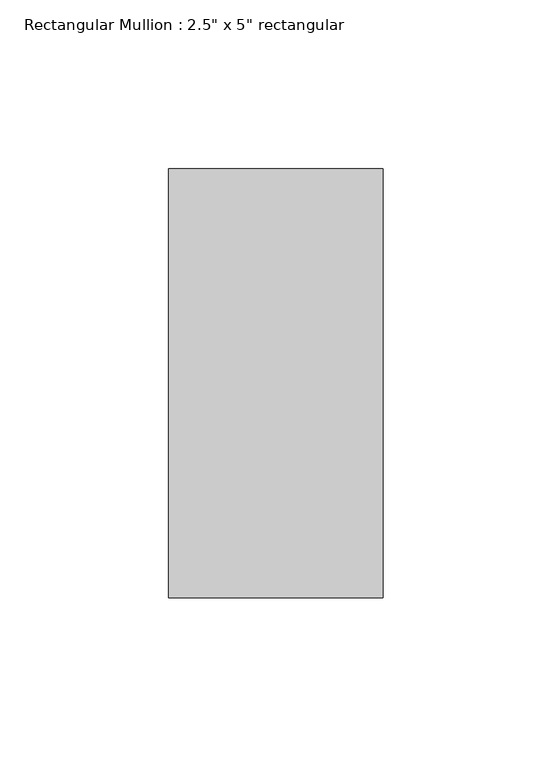
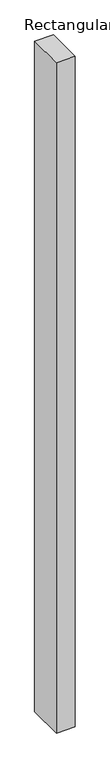
"""IFC4 building model written with IfcOpenShell, lengths in millimetres: member geometry."""

import ifcopenshell
import ifcopenshell.guid

model = None  # the IFC model being written
_history = None  # IfcOwnerHistory: only IFC2X3 demands one
_inside = {}  # id of a spatial element -> (the spatial element, [elements in it])
_under = {}  # id of a project, library or spatial element -> (it, [spatial elements below it])
_declared = {}  # id of a project -> (the project, [libraries it declares])
_typed = {}  # id of a type object -> (the type object, [elements of that type])
_made_of = {}  # id of a material, layer set ... -> (it, [elements and type objects made of it])


def new_model(schema):
    """Start an empty IFC model of exactly this schema.

    Asked for "IFC4X3", IfcOpenShell would pick the latest addendum, in which some entities
    have other attributes; the version numbers below select the first issue.
    IFC2X3 requires an IfcOwnerHistory on every rooted entity: one is made here for all.
    """
    global model, _history
    if schema == "IFC4X3":
        model = ifcopenshell.file(schema_version=(4, 3, 0, 0))
    else:
        model = ifcopenshell.file(schema=schema)
    _inside.clear()
    _under.clear()
    _declared.clear()
    _typed.clear()
    _made_of.clear()
    _history = None
    if model.schema == "IFC2X3":
        org = make("IfcOrganization", Name="unknown")
        user = make(
            "IfcPersonAndOrganization",
            ThePerson=make("IfcPerson", FamilyName="unknown"),
            TheOrganization=org,
        )
        app = make(
            "IfcApplication",
            ApplicationDeveloper=org,
            Version="unknown",
            ApplicationFullName="unknown",
            ApplicationIdentifier="unknown",
        )
        _history = make(
            "IfcOwnerHistory",
            OwningUser=user,
            OwningApplication=app,
            ChangeAction="ADDED",
            CreationDate=0,
        )
    return model


def make(cls, **values):
    """One entity of the class cls with the attributes given. An attribute that is None is left unset."""
    return model.create_entity(
        cls, **{name: value for name, value in values.items() if value is not None}
    )


def rooted(cls, **values):
    """An entity with a GlobalId (a new one), such as an element, a storey or a relation."""
    return make(cls, GlobalId=ifcopenshell.guid.new(), OwnerHistory=_history, **values)


def si_unit(unit_type, name, prefix=None):
    """IfcSIUnit, for example si_unit("LENGTHUNIT", "METRE", prefix="MILLI")."""
    return make("IfcSIUnit", UnitType=unit_type, Prefix=prefix, Name=name)


def assignment(units):
    """IfcUnitAssignment: the units of a project."""
    return None if units is None else make("IfcUnitAssignment", Units=units)


def point(xyz):
    """IfcCartesianPoint."""
    return None if xyz is None else make("IfcCartesianPoint", Coordinates=xyz)


def direction(xyz):
    """IfcDirection."""
    return None if xyz is None else make("IfcDirection", DirectionRatios=xyz)


def frame(location, z_axis=None, x_axis=None):
    """IfcAxis2Placement3D, a coordinate frame: its origin and axes. An axis left out is left unset."""
    return make(
        "IfcAxis2Placement3D",
        Location=point(location),
        Axis=direction(z_axis),
        RefDirection=direction(x_axis),
    )


def origin():
    """The frame at (0, 0, 0) with its axes left unset."""
    return frame((0.0, 0.0, 0.0))


def place(relative_to, where):
    """IfcLocalPlacement: puts the frame where relative to a parent placement (None: the world)."""
    return make(
        "IfcLocalPlacement", PlacementRelTo=relative_to, RelativePlacement=where
    )


def context(
    kind, dimensions, precision=None, world=None, true_north=None, identifier=None
):
    """IfcGeometricRepresentationContext, for example the 3D "Model" context."""
    return make(
        "IfcGeometricRepresentationContext",
        ContextIdentifier=identifier,
        ContextType=kind,
        CoordinateSpaceDimension=dimensions,
        Precision=precision,
        WorldCoordinateSystem=world,
        TrueNorth=true_north,
    )


def project(units=None, contexts=None):
    """IfcProject with its units and contexts."""
    return rooted(
        "IfcProject",
        Name="project",
        RepresentationContexts=contexts,
        UnitsInContext=assignment(units),
    )


def spatial(cls, under=None, at=None, **own):
    """A site, building, storey or space (cls), placed at a placement, below another one or the project."""
    s = rooted(cls, ObjectPlacement=at, **own)
    if under is not None:
        _under.setdefault(under.id(), (under, []))[1].append(s)
    return s


def polyline(points):
    """IfcPolyline through the points."""
    return make("IfcPolyline", Points=[point(p) for p in points])


def outline(outer, holes=None, kind="AREA"):
    """IfcArbitraryClosedProfileDef: a profile drawn as a closed curve; with holes, ...WithVoids."""
    if holes is None:
        return make("IfcArbitraryClosedProfileDef", ProfileType=kind, OuterCurve=outer)
    return make(
        "IfcArbitraryProfileDefWithVoids",
        ProfileType=kind,
        OuterCurve=outer,
        InnerCurves=holes,
    )


def extrude(swept, where, along, depth):
    """IfcExtrudedAreaSolid: the profile swept, set in the frame where, extruded along a direction by depth."""
    return make(
        "IfcExtrudedAreaSolid",
        SweptArea=swept,
        Position=where,
        ExtrudedDirection=direction(along),
        Depth=depth,
    )


def shape(context_of_items, identifier, shape_type, items):
    """IfcShapeRepresentation: the items that make up one representation, for example the "Body"."""
    return make(
        "IfcShapeRepresentation",
        ContextOfItems=context_of_items,
        RepresentationIdentifier=identifier,
        RepresentationType=shape_type,
        Items=items,
    )


def source(mapping_origin, context_of_items, identifier, shape_type, items):
    """IfcRepresentationMap: a shape defined once, which mapped items show again and again."""
    return make(
        "IfcRepresentationMap",
        MappingOrigin=mapping_origin,
        MappedRepresentation=shape(context_of_items, identifier, shape_type, items),
    )


def transform(
    local_origin,
    x_axis=None,
    y_axis=None,
    z_axis=None,
    scale=None,
    scale2=None,
    scale3=None,
    uniform=True,
):
    """IfcCartesianTransformationOperator3D, or its non-uniform kind. x_axis, y_axis, z_axis: its Axis1, 2, 3."""
    if uniform:
        return make(
            "IfcCartesianTransformationOperator3D",
            Axis1=direction(x_axis),
            Axis2=direction(y_axis),
            LocalOrigin=point(local_origin),
            Scale=scale,
            Axis3=direction(z_axis),
        )
    return make(
        "IfcCartesianTransformationOperator3DnonUniform",
        Axis1=direction(x_axis),
        Axis2=direction(y_axis),
        LocalOrigin=point(local_origin),
        Scale=scale,
        Axis3=direction(z_axis),
        Scale2=scale2,
        Scale3=scale3,
    )


def mapped(mapping_source, mapping_target):
    """IfcMappedItem: shows the shape of a source again, moved by a transform."""
    return make(
        "IfcMappedItem", MappingSource=mapping_source, MappingTarget=mapping_target
    )


def made_of(thing, what):
    """Note that an element or type object is made of a material, layer set ...; save() writes the relation."""
    if what is not None:
        _made_of.setdefault(what.id(), (what, []))[1].append(thing)
    return thing


def element(
    cls,
    number,
    at=None,
    inside=None,
    cuts=None,
    type_object=None,
    material=None,
    context=None,
    identifier="Body",
    shape_type=None,
    held_by="IfcProductDefinitionShape",
    body=None,
    shapes=None,
    **own,
):
    """One element of the class cls, such as IfcWall. Its Tag is "e" and its number.

    at: its placement. inside: the storey or other place that contains it. cuts: it is an
    opening in that element (IfcRelVoidsElement). A single representation is given by context,
    identifier, shape_type and body (its items); several are given by shapes. held_by: the class
    of the entity that holds the representations. save() writes the other relations.
    """
    e = rooted(cls, Tag="e%d" % number, ObjectPlacement=at, **own)
    if body is not None:
        shapes = [shape(context, identifier, shape_type, body)]
    if shapes is not None:
        e.Representation = make(held_by, Representations=shapes)
    if inside is not None:
        _inside.setdefault(inside.id(), (inside, []))[1].append(e)
    if cuts is not None:
        rooted(
            "IfcRelVoidsElement", RelatingBuildingElement=cuts, RelatedOpeningElement=e
        )
    if type_object is not None:
        _typed.setdefault(type_object.id(), (type_object, []))[1].append(e)
    return made_of(e, material)


def aggregate(whole, parts):
    """IfcRelAggregates: a whole, such as a stair, and the parts it consists of."""
    return rooted("IfcRelAggregates", RelatingObject=whole, RelatedObjects=parts)


def save(model, path):
    """Write the relations noted so far, then the file.

    IfcRelAggregates (storeys below a building ...), IfcRelContainedInSpatialStructure (elements
    in a storey), IfcRelDefinesByType, IfcRelAssociatesMaterial and IfcRelDeclares: one each for
    every whole, place, type object, material and project.
    """
    for whole, parts in _under.values():
        aggregate(whole, parts)
    for where, things in _inside.values():
        rooted(
            "IfcRelContainedInSpatialStructure",
            RelatedElements=things,
            RelatingStructure=where,
        )
    for kind, things in _typed.values():
        rooted("IfcRelDefinesByType", RelatedObjects=things, RelatingType=kind)
    for what, things in _made_of.values():
        rooted("IfcRelAssociatesMaterial", RelatedObjects=things, RelatingMaterial=what)
    for by, libraries in _declared.values():
        rooted("IfcRelDeclares", RelatingContext=by, RelatedDefinitions=libraries)
    model.write(path)


def member_387659cc(model_context):
    return source(origin(), model_context, "Body", "SweptSolid", [
        extrude(outline(polyline([(0.0, 63.5), (0.0, -63.5), (-63.5, -63.5), (-63.5, 63.5), (0.0, 63.5)])), frame((0.0, 0.0, -2406.65), z_axis=(0.0, 0.0, 1.0), x_axis=(1.0, 0.0, 0.0)), (0.0, 0.0, 1.0), 2406.65),
    ])


if __name__ == "__main__":
    model = new_model("IFC4")
    model_context = context("Model", 3, world=origin())
    ifc_project = project(units=[si_unit("LENGTHUNIT", "METRE", prefix="MILLI")], contexts=[model_context])
    site = spatial("IfcSite", under=ifc_project)
    building = spatial("IfcBuilding", under=site)
    placement = place(None, origin())
    member_shape = member_387659cc(model_context)
    element("IfcMember", 1, ObjectType="Rectangular Mullion : 2.5\" x 5\" rectangular", at=placement, inside=building, context=model_context, shape_type="MappedRepresentation", body=[
        mapped(member_shape, transform((0.0, 0.0, 0.0), x_axis=(1.0, 0.0, 0.0), y_axis=(0.0, 1.0, 0.0), z_axis=(0.0, 0.0, 1.0))),
    ])
    save(model, "model.ifc")
